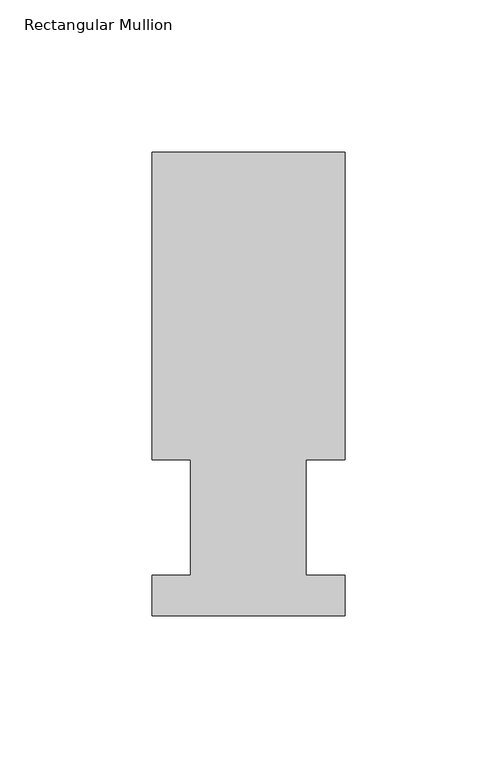
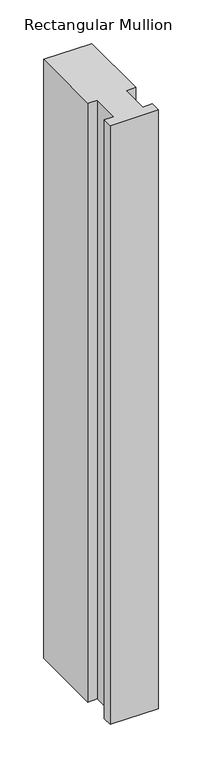
"""IFC4 building model written with IfcOpenShell, lengths in millimetres: member geometry, Rectangular Mullion."""

import ifcopenshell
import ifcopenshell.guid

model = None  # the IFC model being written
_history = None  # IfcOwnerHistory: only IFC2X3 demands one
_inside = {}  # id of a spatial element -> (the spatial element, [elements in it])
_under = {}  # id of a project, library or spatial element -> (it, [spatial elements below it])
_declared = {}  # id of a project -> (the project, [libraries it declares])
_typed = {}  # id of a type object -> (the type object, [elements of that type])
_made_of = {}  # id of a material, layer set ... -> (it, [elements and type objects made of it])


def new_model(schema):
    """Start an empty IFC model of exactly this schema.

    Asked for "IFC4X3", IfcOpenShell would pick the latest addendum, in which some entities
    have other attributes; the version numbers below select the first issue.
    IFC2X3 requires an IfcOwnerHistory on every rooted entity: one is made here for all.
    """
    global model, _history
    if schema == "IFC4X3":
        model = ifcopenshell.file(schema_version=(4, 3, 0, 0))
    else:
        model = ifcopenshell.file(schema=schema)
    _inside.clear()
    _under.clear()
    _declared.clear()
    _typed.clear()
    _made_of.clear()
    _history = None
    if model.schema == "IFC2X3":
        org = make("IfcOrganization", Name="unknown")
        user = make(
            "IfcPersonAndOrganization",
            ThePerson=make("IfcPerson", FamilyName="unknown"),
            TheOrganization=org,
        )
        app = make(
            "IfcApplication",
            ApplicationDeveloper=org,
            Version="unknown",
            ApplicationFullName="unknown",
            ApplicationIdentifier="unknown",
        )
        _history = make(
            "IfcOwnerHistory",
            OwningUser=user,
            OwningApplication=app,
            ChangeAction="ADDED",
            CreationDate=0,
        )
    return model


def make(cls, **values):
    """One entity of the class cls with the attributes given. An attribute that is None is left unset."""
    return model.create_entity(
        cls, **{name: value for name, value in values.items() if value is not None}
    )


def rooted(cls, **values):
    """An entity with a GlobalId (a new one), such as an element, a storey or a relation."""
    return make(cls, GlobalId=ifcopenshell.guid.new(), OwnerHistory=_history, **values)


def si_unit(unit_type, name, prefix=None):
    """IfcSIUnit, for example si_unit("LENGTHUNIT", "METRE", prefix="MILLI")."""
    return make("IfcSIUnit", UnitType=unit_type, Prefix=prefix, Name=name)


def assignment(units):
    """IfcUnitAssignment: the units of a project."""
    return None if units is None else make("IfcUnitAssignment", Units=units)


def point(xyz):
    """IfcCartesianPoint."""
    return None if xyz is None else make("IfcCartesianPoint", Coordinates=xyz)


def direction(xyz):
    """IfcDirection."""
    return None if xyz is None else make("IfcDirection", DirectionRatios=xyz)


def frame(location, z_axis=None, x_axis=None):
    """IfcAxis2Placement3D, a coordinate frame: its origin and axes. An axis left out is left unset."""
    return make(
        "IfcAxis2Placement3D",
        Location=point(location),
        Axis=direction(z_axis),
        RefDirection=direction(x_axis),
    )


def origin():
    """The frame at (0, 0, 0) with its axes left unset."""
    return frame((0.0, 0.0, 0.0))


def place(relative_to, where):
    """IfcLocalPlacement: puts the frame where relative to a parent placement (None: the world)."""
    return make(
        "IfcLocalPlacement", PlacementRelTo=relative_to, RelativePlacement=where
    )


def context(
    kind, dimensions, precision=None, world=None, true_north=None, identifier=None
):
    """IfcGeometricRepresentationContext, for example the 3D "Model" context."""
    return make(
        "IfcGeometricRepresentationContext",
        ContextIdentifier=identifier,
        ContextType=kind,
        CoordinateSpaceDimension=dimensions,
        Precision=precision,
        WorldCoordinateSystem=world,
        TrueNorth=true_north,
    )


def project(units=None, contexts=None):
    """IfcProject with its units and contexts."""
    return rooted(
        "IfcProject",
        Name="project",
        RepresentationContexts=contexts,
        UnitsInContext=assignment(units),
    )


def spatial(cls, under=None, at=None, **own):
    """A site, building, storey or space (cls), placed at a placement, below another one or the project."""
    s = rooted(cls, ObjectPlacement=at, **own)
    if under is not None:
        _under.setdefault(under.id(), (under, []))[1].append(s)
    return s


def polyline(points):
    """IfcPolyline through the points."""
    return make("IfcPolyline", Points=[point(p) for p in points])


def outline(outer, holes=None, kind="AREA"):
    """IfcArbitraryClosedProfileDef: a profile drawn as a closed curve; with holes, ...WithVoids."""
    if holes is None:
        return make("IfcArbitraryClosedProfileDef", ProfileType=kind, OuterCurve=outer)
    return make(
        "IfcArbitraryProfileDefWithVoids",
        ProfileType=kind,
        OuterCurve=outer,
        InnerCurves=holes,
    )


def extrude(swept, where, along, depth):
    """IfcExtrudedAreaSolid: the profile swept, set in the frame where, extruded along a direction by depth."""
    return make(
        "IfcExtrudedAreaSolid",
        SweptArea=swept,
        Position=where,
        ExtrudedDirection=direction(along),
        Depth=depth,
    )


def shape(context_of_items, identifier, shape_type, items):
    """IfcShapeRepresentation: the items that make up one representation, for example the "Body"."""
    return make(
        "IfcShapeRepresentation",
        ContextOfItems=context_of_items,
        RepresentationIdentifier=identifier,
        RepresentationType=shape_type,
        Items=items,
    )


def source(mapping_origin, context_of_items, identifier, shape_type, items):
    """IfcRepresentationMap: a shape defined once, which mapped items show again and again."""
    return make(
        "IfcRepresentationMap",
        MappingOrigin=mapping_origin,
        MappedRepresentation=shape(context_of_items, identifier, shape_type, items),
    )


def transform(
    local_origin,
    x_axis=None,
    y_axis=None,
    z_axis=None,
    scale=None,
    scale2=None,
    scale3=None,
    uniform=True,
):
    """IfcCartesianTransformationOperator3D, or its non-uniform kind. x_axis, y_axis, z_axis: its Axis1, 2, 3."""
    if uniform:
        return make(
            "IfcCartesianTransformationOperator3D",
            Axis1=direction(x_axis),
            Axis2=direction(y_axis),
            LocalOrigin=point(local_origin),
            Scale=scale,
            Axis3=direction(z_axis),
        )
    return make(
        "IfcCartesianTransformationOperator3DnonUniform",
        Axis1=direction(x_axis),
        Axis2=direction(y_axis),
        LocalOrigin=point(local_origin),
        Scale=scale,
        Axis3=direction(z_axis),
        Scale2=scale2,
        Scale3=scale3,
    )


def mapped(mapping_source, mapping_target):
    """IfcMappedItem: shows the shape of a source again, moved by a transform."""
    return make(
        "IfcMappedItem", MappingSource=mapping_source, MappingTarget=mapping_target
    )


def made_of(thing, what):
    """Note that an element or type object is made of a material, layer set ...; save() writes the relation."""
    if what is not None:
        _made_of.setdefault(what.id(), (what, []))[1].append(thing)
    return thing


def element(
    cls,
    number,
    at=None,
    inside=None,
    cuts=None,
    type_object=None,
    material=None,
    context=None,
    identifier="Body",
    shape_type=None,
    held_by="IfcProductDefinitionShape",
    body=None,
    shapes=None,
    **own,
):
    """One element of the class cls, such as IfcWall. Its Tag is "e" and its number.

    at: its placement. inside: the storey or other place that contains it. cuts: it is an
    opening in that element (IfcRelVoidsElement). A single representation is given by context,
    identifier, shape_type and body (its items); several are given by shapes. held_by: the class
    of the entity that holds the representations. save() writes the other relations.
    """
    e = rooted(cls, Tag="e%d" % number, ObjectPlacement=at, **own)
    if body is not None:
        shapes = [shape(context, identifier, shape_type, body)]
    if shapes is not None:
        e.Representation = make(held_by, Representations=shapes)
    if inside is not None:
        _inside.setdefault(inside.id(), (inside, []))[1].append(e)
    if cuts is not None:
        rooted(
            "IfcRelVoidsElement", RelatingBuildingElement=cuts, RelatedOpeningElement=e
        )
    if type_object is not None:
        _typed.setdefault(type_object.id(), (type_object, []))[1].append(e)
    return made_of(e, material)


def aggregate(whole, parts):
    """IfcRelAggregates: a whole, such as a stair, and the parts it consists of."""
    return rooted("IfcRelAggregates", RelatingObject=whole, RelatedObjects=parts)


def save(model, path):
    """Write the relations noted so far, then the file.

    IfcRelAggregates (storeys below a building ...), IfcRelContainedInSpatialStructure (elements
    in a storey), IfcRelDefinesByType, IfcRelAssociatesMaterial and IfcRelDeclares: one each for
    every whole, place, type object, material and project.
    """
    for whole, parts in _under.values():
        aggregate(whole, parts)
    for where, things in _inside.values():
        rooted(
            "IfcRelContainedInSpatialStructure",
            RelatedElements=things,
            RelatingStructure=where,
        )
    for kind, things in _typed.values():
        rooted("IfcRelDefinesByType", RelatedObjects=things, RelatingType=kind)
    for what, things in _made_of.values():
        rooted("IfcRelAssociatesMaterial", RelatedObjects=things, RelatingMaterial=what)
    for by, libraries in _declared.values():
        rooted("IfcRelDeclares", RelatingContext=by, RelatedDefinitions=libraries)
    model.write(path)


def rectangular_mullion_7d66d4dd(model_context):
    return source(origin(), model_context, "Body", "SweptSolid", [
        extrude(outline(polyline([(31.75, 152.4896938), (31.75, 51.2960938), (19.0499996, 51.2960937), (19.0499996, 13.1960938), (31.75, 13.1960938), (31.75, 0.0134938), (-31.75, 0.0134938), (-31.75, 13.1960938), (-19.0499996, 13.1960938), (-19.0499996, 51.2960938), (-31.7499996, 51.2960937), (-31.7499996, 152.4896938), (31.75, 152.4896938)])), frame((0.0, 0.0, -838.1999996), z_axis=(0.0, 0.0, 1.0), x_axis=(1.0, 0.0, 0.0)), (0.0, 0.0, 1.0), 838.1999996),
    ])


if __name__ == "__main__":
    model = new_model("IFC4")
    model_context = context("Model", 3, world=origin())
    ifc_project = project(units=[si_unit("LENGTHUNIT", "METRE", prefix="MILLI")], contexts=[model_context])
    site = spatial("IfcSite", under=ifc_project)
    building = spatial("IfcBuilding", under=site)
    placement = place(None, origin())
    rectangular_mullion_shape = rectangular_mullion_7d66d4dd(model_context)
    element("IfcMember", 1, ObjectType="Rectangular Mullion", at=placement, inside=building, context=model_context, shape_type="MappedRepresentation", body=[
        mapped(rectangular_mullion_shape, transform((0.0, 0.0, 0.0), x_axis=(1.0, 0.0, 0.0), y_axis=(0.0, 1.0, 0.0), z_axis=(0.0, 0.0, 1.0))),
    ])
    save(model, "model.ifc")
